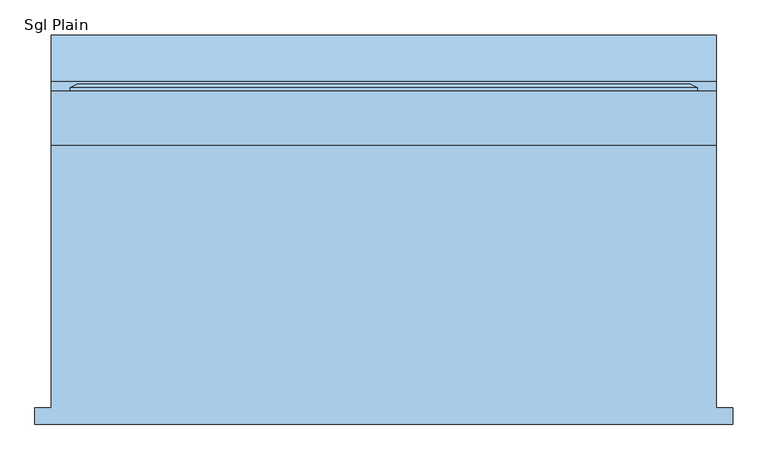
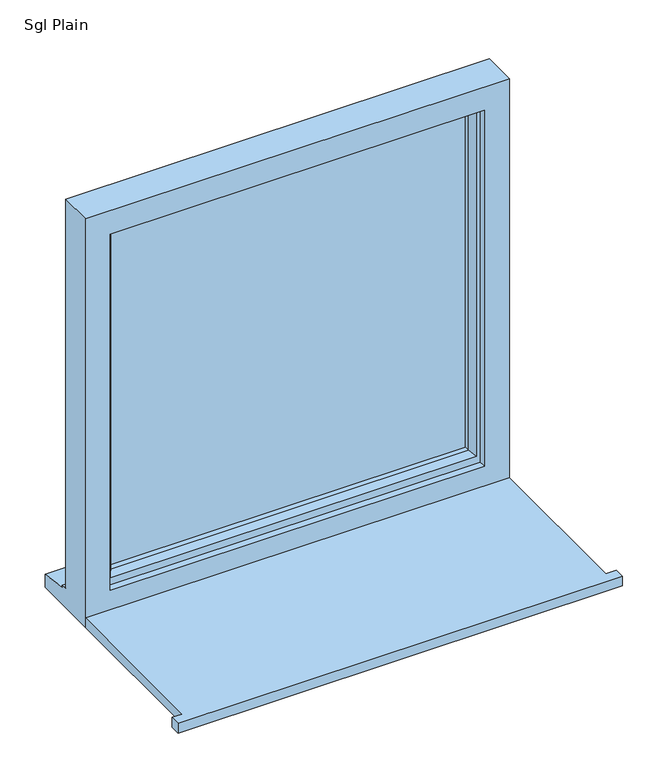
"""IFC4 building model written with IfcOpenShell, lengths in millimetres: window geometry, Sgl Plain."""

from ifc_helpers import new_model, si_unit, frame, origin, place, context, project, spatial, polyline, outline, extrude, faceted_brep, source, transform, mapped, element, save


def sgl_plain_02f526b1(model_context):
    return source(origin(), model_context, "Body", "SolidModel", [
        extrude(outline(polyline([(-540.0, -286.5434322), (-540.0, -261.5434322), (-515.0, -261.5434322), (-515.0, 145.4565678), (515.0, 145.4565678), (515.0, -261.5434322), (540.0, -261.5434322), (540.0, -286.5434322), (-540.0, -286.5434322)])), frame((0.0, 0.0, 1060.0), z_axis=(0.0, 0.0, 1.0), x_axis=(1.0, 0.0, 0.0)), (0.0, 0.0, 1.0), 25.0),
        faceted_brep([(-515.0, 145.4565678, 1060.0), (515.0, 145.4565678, 1060.0), (515.0, 145.4565678, 2110.0), (-515.0, 145.4565678, 2110.0), (-455.0, 145.4565678, 2050.0), (455.0, 145.4565678, 2050.0), (455.0, 145.4565678, 1135.0), (-455.0, 145.4565678, 1135.0), (-515.0, 228.4565678, 2110.0), (-515.0, 228.4565678, 1111.0), (-515.0, 243.4565678, 1109.68767), (-515.0, 243.4565678, 1104.7449676), (-515.0, 315.9565678, 1093.8088847), (-515.0, 315.9565678, 1060.0), (515.0, 228.4565678, 2110.0), (515.0, 228.4565678, 1111.0), (-475.0, 228.4565678, 2070.0), (-475.0, 228.4565678, 1123.0), (475.0, 228.4565678, 1123.0), (475.0, 228.4565678, 2070.0), (-475.0, 163.4565678, 2070.0), (-475.0, 163.4565678, 1123.0), (475.0, 163.4565678, 2070.0), (475.0, 163.4565678, 1123.0), (-455.0, 163.4565678, 2050.0), (-455.0, 163.4565678, 1135.0), (455.0, 163.4565678, 1135.0), (455.0, 163.4565678, 2050.0), (515.0, 315.9565678, 1060.0), (515.0, 315.9565678, 1093.8088847), (515.0, 243.4565678, 1104.7449676), (515.0, 243.4565678, 1109.68767)], [[[0, 1, 2, 3], [4, 5, 6, 7]], [[0, 3, 8, 9, 10, 11, 12, 13]], [[9, 8, 14, 15], [16, 17, 18, 19]], [[17, 16, 20, 21]], [[20, 22, 23, 21], [24, 25, 26, 27]], [[24, 4, 7, 25]], [[3, 2, 14, 8]], [[16, 19, 22, 20]], [[5, 4, 24, 27]], [[15, 14, 2, 1, 28, 29, 30, 31]], [[19, 18, 23, 22]], [[5, 27, 26, 6]], [[28, 1, 0, 13]], [[29, 28, 13, 12]], [[30, 29, 12, 11]], [[31, 30, 11, 10]], [[15, 31, 10, 9]], [[21, 23, 18, 17]], [[7, 6, 26, 25]]]),
        extrude(outline(polyline([(445.0, 192.4565678), (-445.0, 192.4565678), (-445.0, 216.4565678), (445.0, 216.4565678), (445.0, 192.4565678)])), frame((0.0, 0.0, 1153.0), z_axis=(0.0, 0.0, 1.0), x_axis=(1.0, 0.0, 0.0)), (0.0, 0.0, 1.0), 887.0),
        faceted_brep([(-485.0, 228.4565678, 2080.0), (-485.0, 234.2300705, 2080.0), (-485.0, 234.2300705, 1113.0), (-485.0, 228.4565678, 1113.0), (-475.0, 163.4565678, 2070.0), (-475.0, 228.4565678, 2070.0), (-475.0, 228.4565678, 1123.0), (-475.0, 163.4565678, 1123.0), (-435.0, 177.9494677, 2030.0), (-445.1480377, 163.4565678, 2040.1480377), (-445.1480377, 163.4565678, 1152.8519623), (-435.0, 177.9494677, 1163.0), (-435.0, 192.4565678, 2030.0), (-435.0, 192.4565678, 1163.0), (-445.0, 216.4565678, 2040.0), (-445.0, 192.4565678, 2040.0), (-445.0, 192.4565678, 1153.0), (-445.0, 216.4565678, 1153.0), (-435.0, 234.2300705, 2030.0), (-435.0, 216.4565678, 2030.0), (-435.0, 216.4565678, 1163.0), (-435.0, 234.2300705, 1163.0), (-452.4457548, 240.0035732, 2047.4457548), (-452.4457548, 240.0035732, 1145.5542452), (-474.2153903, 240.0035732, 2069.2153903), (-474.2153903, 240.0035732, 1123.7846097), (485.0, 234.2300705, 1113.0), (485.0, 228.4565678, 1113.0), (475.0, 228.4565678, 1123.0), (475.0, 163.4565678, 1123.0), (445.1480377, 163.4565678, 1152.8519623), (435.0, 177.9494677, 1163.0), (435.0, 192.4565678, 1163.0), (445.0, 192.4565678, 1153.0), (445.0, 216.4565678, 1153.0), (435.0, 216.4565678, 1163.0), (435.0, 234.2300705, 1163.0), (452.4457548, 240.0035732, 1145.5542452), (474.2153903, 240.0035732, 1123.7846097), (485.0, 234.2300705, 2080.0), (485.0, 228.4565678, 2080.0), (475.0, 228.4565678, 2070.0), (475.0, 163.4565678, 2070.0), (445.1480377, 163.4565678, 2040.1480377), (435.0, 177.9494677, 2030.0), (435.0, 192.4565678, 2030.0), (445.0, 192.4565678, 2040.0), (445.0, 216.4565678, 2040.0), (435.0, 216.4565678, 2030.0), (435.0, 234.2300705, 2030.0), (452.4457548, 240.0035732, 2047.4457548), (474.2153903, 240.0035732, 2069.2153903)], [[[0, 1, 2, 3]], [[4, 5, 6, 7]], [[8, 9, 10, 11]], [[12, 8, 11, 13]], [[14, 15, 16, 17]], [[18, 19, 20, 21]], [[22, 18, 21, 23]], [[1, 24, 25, 2]], [[3, 2, 26, 27]], [[7, 6, 28, 29]], [[11, 10, 30, 31]], [[13, 11, 31, 32]], [[17, 16, 33, 34]], [[21, 20, 35, 36]], [[23, 21, 36, 37]], [[2, 25, 38, 26]], [[27, 26, 39, 40]], [[29, 28, 41, 42]], [[31, 30, 43, 44]], [[32, 31, 44, 45]], [[34, 33, 46, 47]], [[36, 35, 48, 49]], [[37, 36, 49, 50]], [[26, 38, 51, 39]], [[40, 39, 1, 0]], [[3, 27, 40, 0], [5, 41, 28, 6]], [[42, 41, 5, 4]], [[7, 29, 42, 4], [9, 43, 30, 10]], [[44, 43, 9, 8]], [[45, 44, 8, 12]], [[15, 46, 33, 16], [13, 32, 45, 12]], [[47, 46, 15, 14]], [[17, 34, 47, 14], [19, 48, 35, 20]], [[49, 48, 19, 18]], [[50, 49, 18, 22]], [[24, 51, 38, 25], [23, 37, 50, 22]], [[39, 51, 24, 1]]]),
    ])


if __name__ == "__main__":
    model = new_model("IFC4")
    model_context = context("Model", 3, world=origin())
    ifc_project = project(units=[si_unit("LENGTHUNIT", "METRE", prefix="MILLI")], contexts=[model_context])
    site = spatial("IfcSite", under=ifc_project)
    building = spatial("IfcBuilding", under=site)
    placement = place(None, origin())
    sgl_plain_shape = sgl_plain_02f526b1(model_context)
    element("IfcWindow", 1, ObjectType="Sgl Plain", at=placement, inside=building, context=model_context, shape_type="MappedRepresentation", body=[
        mapped(sgl_plain_shape, transform((0.0, 0.0, 0.0), x_axis=(1.0, 0.0, 0.0), y_axis=(0.0, 1.0, 0.0), z_axis=(0.0, 0.0, 1.0))),
    ])
    save(model, "model.ifc")
